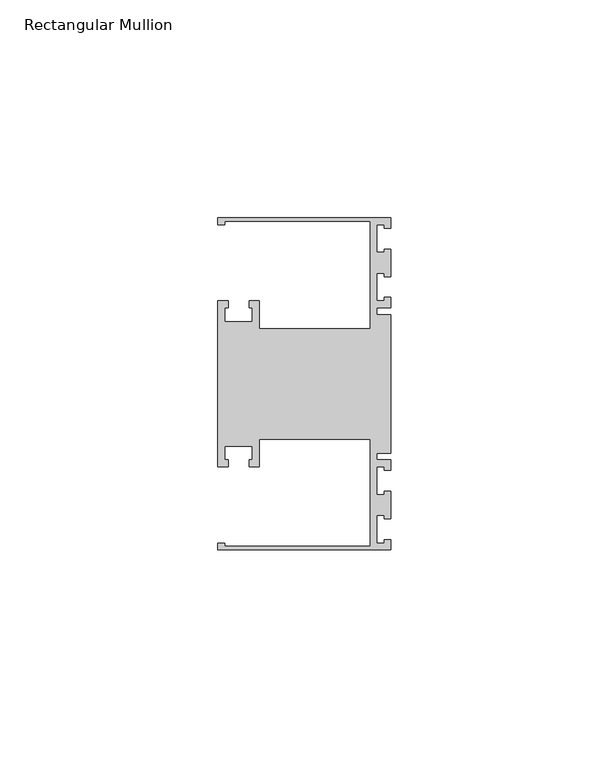
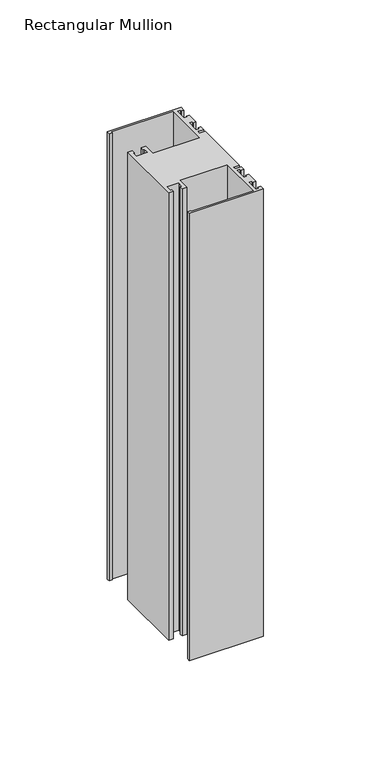
"""IFC4 building model written with IfcOpenShell, lengths in millimetres: member geometry, Rectangular Mullion."""

from ifc_helpers import new_model, si_unit, frame, origin, place, context, project, spatial, polyline, outline, extrude, source, transform, mapped, element, save


def rectangular_mullion_ac495c03(model_context):
    return source(origin(), model_context, "Body", "SweptSolid", [
        extrude(outline(polyline([(0.0, 38.1), (0.0, 35.71875), (-1.4999946, 35.71875), (-1.4999946, 36.5125), (-3.175, 36.5125), (-3.175, 30.1625), (-1.4999946, 30.1625), (-1.4999946, 30.95625), (0.0, 30.95625), (0.0, 24.60625), (-1.4999946, 24.60625), (-1.4999946, 25.4), (-3.175, 25.4), (-3.175, 19.05), (-1.4999946, 19.05), (-1.4999946, 19.84375), (0.0, 19.84375), (0.0, 17.4625), (-3.175, 17.4625), (-3.175, 15.875), (0.0, 15.875), (0.0, -15.875), (-3.175, -15.875), (-3.175, -17.4625), (0.0, -17.4625), (0.0, -19.84375), (-1.4999946, -19.84375), (-1.4999946, -19.05), (-3.175, -19.05), (-3.175, -25.4), (-1.4999946, -25.4), (-1.4999946, -24.60625), (0.0, -24.60625), (0.0, -30.95625), (-1.4999946, -30.95625), (-1.4999946, -30.1625), (-3.175, -30.1625), (-3.175, -36.5125), (-1.4999946, -36.5125), (-1.4999946, -35.71875), (0.0, -35.71875), (0.0, -38.1), (-39.6875, -38.1), (-39.6875, -36.5125), (-38.1, -36.5125), (-38.1, -37.30625), (-4.7625, -37.30625), (-4.7625, -12.7), (-30.1625, -12.7), (-30.1625, -19.05), (-32.54375, -19.05), (-32.54375, -17.4625), (-31.75, -17.4625), (-31.75, -14.2875), (-38.1, -14.2875), (-38.1, -17.4625), (-37.30625, -17.4625), (-37.30625, -19.05), (-39.6875, -19.05), (-39.6875, 19.05), (-37.30625, 19.05), (-37.30625, 17.4625), (-38.1, 17.4625), (-38.1, 14.2875), (-31.75, 14.2875), (-31.75, 17.4625), (-32.54375, 17.4625), (-32.54375, 19.05), (-30.1625, 19.05), (-30.1625, 12.7), (-4.7625, 12.7), (-4.7625, 37.30625), (-38.1, 37.30625), (-38.1, 36.5125), (-39.6875, 36.5125), (-39.6875, 38.1), (0.0, 38.1)])), frame((0.0, 0.0, -254.0), z_axis=(0.0, 0.0, 1.0), x_axis=(1.0, 0.0, 0.0)), (0.0, 0.0, 1.0), 254.0),
    ])


if __name__ == "__main__":
    model = new_model("IFC4")
    model_context = context("Model", 3, world=origin())
    ifc_project = project(units=[si_unit("LENGTHUNIT", "METRE", prefix="MILLI")], contexts=[model_context])
    site = spatial("IfcSite", under=ifc_project)
    building = spatial("IfcBuilding", under=site)
    placement = place(None, origin())
    rectangular_mullion_shape = rectangular_mullion_ac495c03(model_context)
    element("IfcMember", 1, ObjectType="Rectangular Mullion", at=placement, inside=building, context=model_context, shape_type="MappedRepresentation", body=[
        mapped(rectangular_mullion_shape, transform((0.0, 0.0, 0.0), x_axis=(1.0, 0.0, 0.0), y_axis=(0.0, 1.0, 0.0), z_axis=(0.0, 0.0, 1.0))),
    ])
    save(model, "model.ifc")
